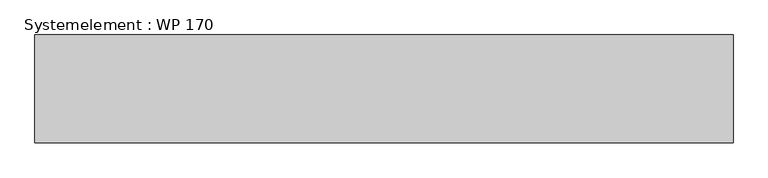
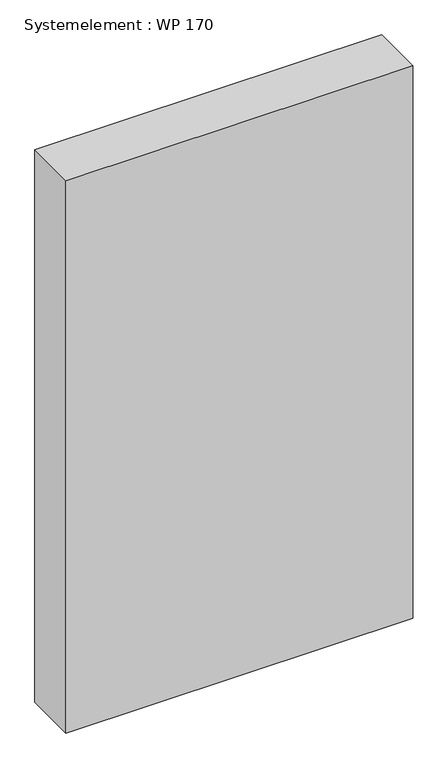
"""IFC4 building model written with IfcOpenShell, lengths in millimetres: plate geometry, Systemelement : WP 170."""

import ifcopenshell
import ifcopenshell.guid

model = None  # the IFC model being written
_history = None  # IfcOwnerHistory: only IFC2X3 demands one
_inside = {}  # id of a spatial element -> (the spatial element, [elements in it])
_under = {}  # id of a project, library or spatial element -> (it, [spatial elements below it])
_declared = {}  # id of a project -> (the project, [libraries it declares])
_typed = {}  # id of a type object -> (the type object, [elements of that type])
_made_of = {}  # id of a material, layer set ... -> (it, [elements and type objects made of it])


def new_model(schema):
    """Start an empty IFC model of exactly this schema.

    Asked for "IFC4X3", IfcOpenShell would pick the latest addendum, in which some entities
    have other attributes; the version numbers below select the first issue.
    IFC2X3 requires an IfcOwnerHistory on every rooted entity: one is made here for all.
    """
    global model, _history
    if schema == "IFC4X3":
        model = ifcopenshell.file(schema_version=(4, 3, 0, 0))
    else:
        model = ifcopenshell.file(schema=schema)
    _inside.clear()
    _under.clear()
    _declared.clear()
    _typed.clear()
    _made_of.clear()
    _history = None
    if model.schema == "IFC2X3":
        org = make("IfcOrganization", Name="unknown")
        user = make(
            "IfcPersonAndOrganization",
            ThePerson=make("IfcPerson", FamilyName="unknown"),
            TheOrganization=org,
        )
        app = make(
            "IfcApplication",
            ApplicationDeveloper=org,
            Version="unknown",
            ApplicationFullName="unknown",
            ApplicationIdentifier="unknown",
        )
        _history = make(
            "IfcOwnerHistory",
            OwningUser=user,
            OwningApplication=app,
            ChangeAction="ADDED",
            CreationDate=0,
        )
    return model


def make(cls, **values):
    """One entity of the class cls with the attributes given. An attribute that is None is left unset."""
    return model.create_entity(
        cls, **{name: value for name, value in values.items() if value is not None}
    )


def rooted(cls, **values):
    """An entity with a GlobalId (a new one), such as an element, a storey or a relation."""
    return make(cls, GlobalId=ifcopenshell.guid.new(), OwnerHistory=_history, **values)


def si_unit(unit_type, name, prefix=None):
    """IfcSIUnit, for example si_unit("LENGTHUNIT", "METRE", prefix="MILLI")."""
    return make("IfcSIUnit", UnitType=unit_type, Prefix=prefix, Name=name)


def assignment(units):
    """IfcUnitAssignment: the units of a project."""
    return None if units is None else make("IfcUnitAssignment", Units=units)


def point(xyz):
    """IfcCartesianPoint."""
    return None if xyz is None else make("IfcCartesianPoint", Coordinates=xyz)


def direction(xyz):
    """IfcDirection."""
    return None if xyz is None else make("IfcDirection", DirectionRatios=xyz)


def frame(location, z_axis=None, x_axis=None):
    """IfcAxis2Placement3D, a coordinate frame: its origin and axes. An axis left out is left unset."""
    return make(
        "IfcAxis2Placement3D",
        Location=point(location),
        Axis=direction(z_axis),
        RefDirection=direction(x_axis),
    )


def origin():
    """The frame at (0, 0, 0) with its axes left unset."""
    return frame((0.0, 0.0, 0.0))


def origin_with_axes():
    """The frame at (0, 0, 0) with the z axis (0, 0, 1) and the x axis (1, 0, 0) written out."""
    return frame((0.0, 0.0, 0.0), z_axis=(0.0, 0.0, 1.0), x_axis=(1.0, 0.0, 0.0))


def place(relative_to, where):
    """IfcLocalPlacement: puts the frame where relative to a parent placement (None: the world)."""
    return make(
        "IfcLocalPlacement", PlacementRelTo=relative_to, RelativePlacement=where
    )


def context(
    kind, dimensions, precision=None, world=None, true_north=None, identifier=None
):
    """IfcGeometricRepresentationContext, for example the 3D "Model" context."""
    return make(
        "IfcGeometricRepresentationContext",
        ContextIdentifier=identifier,
        ContextType=kind,
        CoordinateSpaceDimension=dimensions,
        Precision=precision,
        WorldCoordinateSystem=world,
        TrueNorth=true_north,
    )


def project(units=None, contexts=None):
    """IfcProject with its units and contexts."""
    return rooted(
        "IfcProject",
        Name="project",
        RepresentationContexts=contexts,
        UnitsInContext=assignment(units),
    )


def spatial(cls, under=None, at=None, **own):
    """A site, building, storey or space (cls), placed at a placement, below another one or the project."""
    s = rooted(cls, ObjectPlacement=at, **own)
    if under is not None:
        _under.setdefault(under.id(), (under, []))[1].append(s)
    return s


def polyline(points):
    """IfcPolyline through the points."""
    return make("IfcPolyline", Points=[point(p) for p in points])


def outline(outer, holes=None, kind="AREA"):
    """IfcArbitraryClosedProfileDef: a profile drawn as a closed curve; with holes, ...WithVoids."""
    if holes is None:
        return make("IfcArbitraryClosedProfileDef", ProfileType=kind, OuterCurve=outer)
    return make(
        "IfcArbitraryProfileDefWithVoids",
        ProfileType=kind,
        OuterCurve=outer,
        InnerCurves=holes,
    )


def extrude(swept, where, along, depth):
    """IfcExtrudedAreaSolid: the profile swept, set in the frame where, extruded along a direction by depth."""
    return make(
        "IfcExtrudedAreaSolid",
        SweptArea=swept,
        Position=where,
        ExtrudedDirection=direction(along),
        Depth=depth,
    )


def shape(context_of_items, identifier, shape_type, items):
    """IfcShapeRepresentation: the items that make up one representation, for example the "Body"."""
    return make(
        "IfcShapeRepresentation",
        ContextOfItems=context_of_items,
        RepresentationIdentifier=identifier,
        RepresentationType=shape_type,
        Items=items,
    )


def source(mapping_origin, context_of_items, identifier, shape_type, items):
    """IfcRepresentationMap: a shape defined once, which mapped items show again and again."""
    return make(
        "IfcRepresentationMap",
        MappingOrigin=mapping_origin,
        MappedRepresentation=shape(context_of_items, identifier, shape_type, items),
    )


def transform(
    local_origin,
    x_axis=None,
    y_axis=None,
    z_axis=None,
    scale=None,
    scale2=None,
    scale3=None,
    uniform=True,
):
    """IfcCartesianTransformationOperator3D, or its non-uniform kind. x_axis, y_axis, z_axis: its Axis1, 2, 3."""
    if uniform:
        return make(
            "IfcCartesianTransformationOperator3D",
            Axis1=direction(x_axis),
            Axis2=direction(y_axis),
            LocalOrigin=point(local_origin),
            Scale=scale,
            Axis3=direction(z_axis),
        )
    return make(
        "IfcCartesianTransformationOperator3DnonUniform",
        Axis1=direction(x_axis),
        Axis2=direction(y_axis),
        LocalOrigin=point(local_origin),
        Scale=scale,
        Axis3=direction(z_axis),
        Scale2=scale2,
        Scale3=scale3,
    )


def mapped(mapping_source, mapping_target):
    """IfcMappedItem: shows the shape of a source again, moved by a transform."""
    return make(
        "IfcMappedItem", MappingSource=mapping_source, MappingTarget=mapping_target
    )


def made_of(thing, what):
    """Note that an element or type object is made of a material, layer set ...; save() writes the relation."""
    if what is not None:
        _made_of.setdefault(what.id(), (what, []))[1].append(thing)
    return thing


def element(
    cls,
    number,
    at=None,
    inside=None,
    cuts=None,
    type_object=None,
    material=None,
    context=None,
    identifier="Body",
    shape_type=None,
    held_by="IfcProductDefinitionShape",
    body=None,
    shapes=None,
    **own,
):
    """One element of the class cls, such as IfcWall. Its Tag is "e" and its number.

    at: its placement. inside: the storey or other place that contains it. cuts: it is an
    opening in that element (IfcRelVoidsElement). A single representation is given by context,
    identifier, shape_type and body (its items); several are given by shapes. held_by: the class
    of the entity that holds the representations. save() writes the other relations.
    """
    e = rooted(cls, Tag="e%d" % number, ObjectPlacement=at, **own)
    if body is not None:
        shapes = [shape(context, identifier, shape_type, body)]
    if shapes is not None:
        e.Representation = make(held_by, Representations=shapes)
    if inside is not None:
        _inside.setdefault(inside.id(), (inside, []))[1].append(e)
    if cuts is not None:
        rooted(
            "IfcRelVoidsElement", RelatingBuildingElement=cuts, RelatedOpeningElement=e
        )
    if type_object is not None:
        _typed.setdefault(type_object.id(), (type_object, []))[1].append(e)
    return made_of(e, material)


def aggregate(whole, parts):
    """IfcRelAggregates: a whole, such as a stair, and the parts it consists of."""
    return rooted("IfcRelAggregates", RelatingObject=whole, RelatedObjects=parts)


def save(model, path):
    """Write the relations noted so far, then the file.

    IfcRelAggregates (storeys below a building ...), IfcRelContainedInSpatialStructure (elements
    in a storey), IfcRelDefinesByType, IfcRelAssociatesMaterial and IfcRelDeclares: one each for
    every whole, place, type object, material and project.
    """
    for whole, parts in _under.values():
        aggregate(whole, parts)
    for where, things in _inside.values():
        rooted(
            "IfcRelContainedInSpatialStructure",
            RelatedElements=things,
            RelatingStructure=where,
        )
    for kind, things in _typed.values():
        rooted("IfcRelDefinesByType", RelatedObjects=things, RelatingType=kind)
    for what, things in _made_of.values():
        rooted("IfcRelAssociatesMaterial", RelatedObjects=things, RelatingMaterial=what)
    for by, libraries in _declared.values():
        rooted("IfcRelDeclares", RelatingContext=by, RelatedDefinitions=libraries)
    model.write(path)


def systemelement_wp_170_c824324f(model_context):
    return source(origin(), model_context, "Body", "SweptSolid", [
        extrude(outline(polyline([(550.0, -170.0), (-550.0, -170.0), (-550.0, 0.0), (550.0, 0.0), (550.0, -170.0)])), origin_with_axes(), (0.0, 0.0, 1.0), 1851.6147161),
    ])


if __name__ == "__main__":
    model = new_model("IFC4")
    model_context = context("Model", 3, world=origin())
    ifc_project = project(units=[si_unit("LENGTHUNIT", "METRE", prefix="MILLI")], contexts=[model_context])
    site = spatial("IfcSite", under=ifc_project)
    building = spatial("IfcBuilding", under=site)
    placement = place(None, origin())
    systemelement_wp_170_shape = systemelement_wp_170_c824324f(model_context)
    element("IfcPlate", 1, ObjectType="Systemelement : WP 170", at=placement, inside=building, context=model_context, shape_type="MappedRepresentation", body=[
        mapped(systemelement_wp_170_shape, transform((0.0, 0.0, 0.0), x_axis=(1.0, 0.0, 0.0), y_axis=(0.0, 1.0, 0.0), z_axis=(0.0, 0.0, 1.0))),
    ])
    save(model, "model.ifc")
